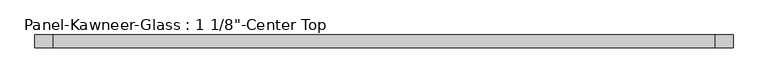
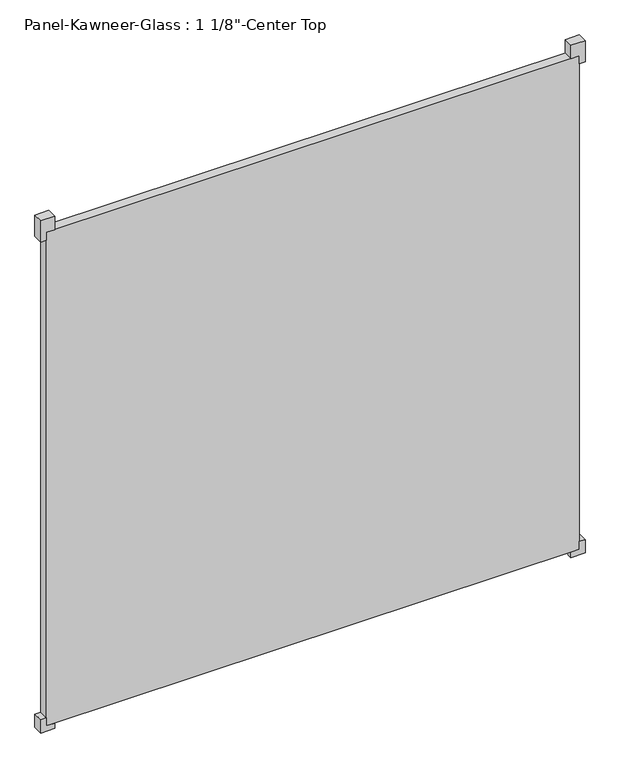
"""IFC4 building model written with IfcOpenShell, lengths in millimetres: plate geometry."""

from ifc_helpers import new_model, si_unit, frame, origin, origin_with_axes, place, context, project, spatial, polyline, outline, extrude, source, transform, mapped, element, save


def plate_e2e85b76(model_context):
    return source(origin(), model_context, "Body", "SweptSolid", [
        extrude(outline(polyline([(-15.875, 730.25), (-15.875, 769.9375), (23.8125, 769.9375), (23.8125, 754.0625), (0.0, 754.0625), (0.0, 730.25), (-15.875, 730.25)])), frame((0.0, -14.2210761, 0.0), z_axis=(0.0, 1.0, 0.0), x_axis=(0.0, 0.0, 1.0)), (0.0, 0.0, 1.0), 28.575),
        extrude(outline(polyline([(-15.875, -730.25), (0.0, -730.25), (0.0, -754.0625), (23.8125, -754.0625), (23.8125, -769.9375), (-15.875, -769.9375), (-15.875, -730.25)])), frame((0.0, -14.2210761, 0.0), z_axis=(0.0, 1.0, 0.0), x_axis=(0.0, 0.0, 1.0)), (0.0, 0.0, 1.0), 28.575),
        extrude(outline(polyline([(1516.0625, 730.25), (1476.375, 730.25), (1476.375, 754.0625), (1452.5625, 754.0625), (1452.5625, 769.9375), (1516.0625, 769.9375), (1516.0625, 730.25)])), frame((0.0, -14.2210761, 0.0), z_axis=(0.0, 1.0, 0.0), x_axis=(0.0, 0.0, 1.0)), (0.0, 0.0, 1.0), 28.575),
        extrude(outline(polyline([(1516.0625, -730.25), (1516.0625, -769.9375), (1452.5625, -769.9375), (1452.5625, -754.0625), (1476.375, -754.0625), (1476.375, -730.25), (1516.0625, -730.25)])), frame((0.0, -14.2210761, 0.0), z_axis=(0.0, 1.0, 0.0), x_axis=(0.0, 0.0, 1.0)), (0.0, 0.0, 1.0), 28.575),
        extrude(outline(polyline([(754.0625, 14.3539239), (754.0625, -14.2210761), (-754.0625, -14.2210761), (-754.0625, 14.3539239), (754.0625, 14.3539239)])), origin_with_axes(), (0.0, 0.0, 1.0), 1476.375),
    ])


if __name__ == "__main__":
    model = new_model("IFC4")
    model_context = context("Model", 3, world=origin())
    ifc_project = project(units=[si_unit("LENGTHUNIT", "METRE", prefix="MILLI")], contexts=[model_context])
    site = spatial("IfcSite", under=ifc_project)
    building = spatial("IfcBuilding", under=site)
    placement = place(None, origin())
    plate_shape = plate_e2e85b76(model_context)
    element("IfcPlate", 1, ObjectType="Panel-Kawneer-Glass : 1 1/8\"-Center Top", at=placement, inside=building, context=model_context, shape_type="MappedRepresentation", body=[
        mapped(plate_shape, transform((0.0, 0.0, 0.0), x_axis=(1.0, 0.0, 0.0), y_axis=(0.0, 1.0, 0.0), z_axis=(0.0, 0.0, 1.0))),
    ])
    save(model, "model.ifc")
